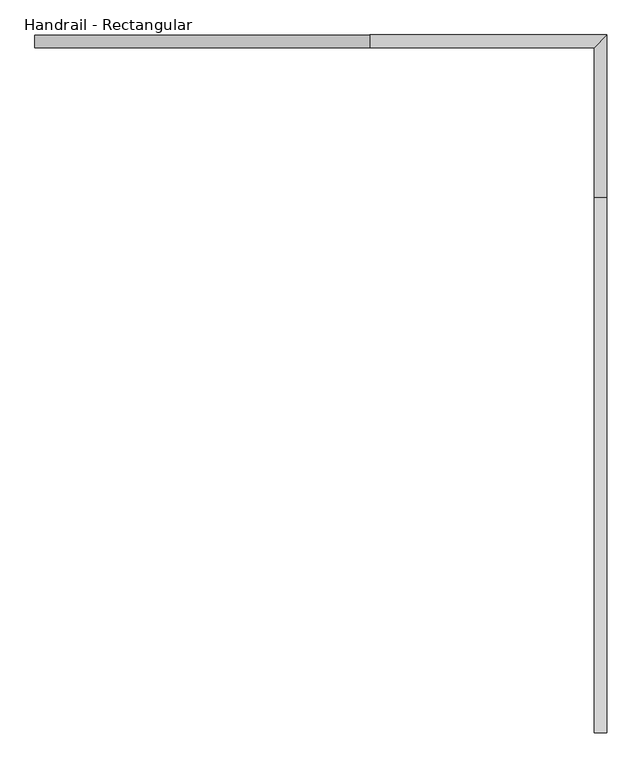
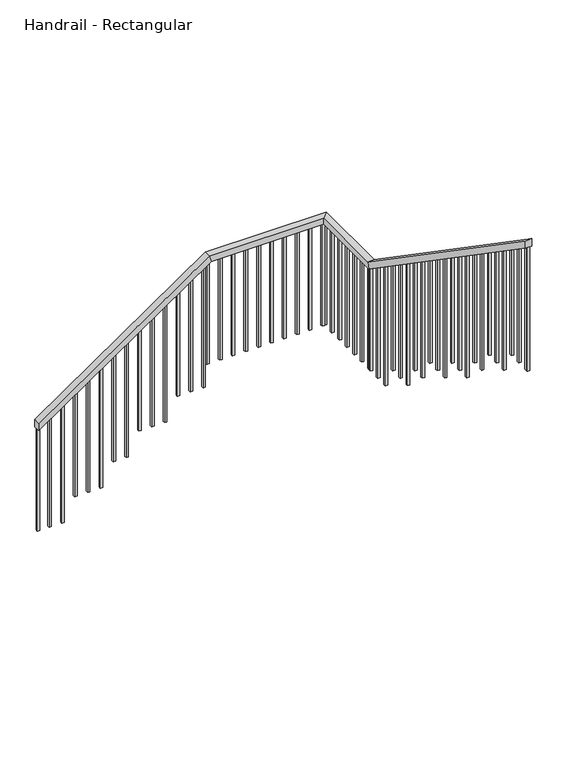
"""IFC4 building model written with IfcOpenShell, lengths in millimetres: railing geometry, Handrail - Rectangular."""

from ifc_helpers import new_model, si_unit, frame, origin, place, context, project, spatial, polyline, outline, extrude, faceted_brep, source, transform, mapped, element, save


def handrail_rectangular_aad5a0ed(model_context):
    return source(origin(), model_context, "Body", "SolidModel", [
        faceted_brep([(1316.6034014, 4462.6058469, -1349.8857143), (1316.6034014, 4462.6058469, -1411.5425818), (1316.6034014, 4411.8058469, -1411.5425818), (1316.6034014, 4411.8058469, -1349.8857143), (2666.6034014, 4462.6058469, -421.3142857), (2682.3876165, 4462.6058469, -472.1142857), (2682.3876165, 4411.8058469, -472.1142857), (2666.6034014, 4411.8058469, -421.3142857), (3623.7534014, 4462.6058469, -421.3142857), (3623.7534014, 4462.6058469, -472.1142857), (3572.9534014, 4411.8058469, -472.1142857), (3572.9534014, 4411.8058469, -421.3142857), (3623.7534014, 3807.2058469, -421.3142857), (3623.7534014, 3791.4216318, -472.1142857), (3572.9534014, 3791.4216318, -472.1142857), (3572.9534014, 3807.2058469, -421.3142857), (3623.7534014, 1647.2058469, 1064.4), (3572.9534014, 1647.2058469, 1064.4), (3572.9534014, 1647.2058469, 1002.7431325), (3623.7534014, 1647.2058469, 1002.7431325)], [[[0, 1, 2, 3]], [[1, 0, 4, 5]], [[2, 1, 5, 6]], [[3, 2, 6, 7]], [[0, 3, 7, 4]], [[5, 4, 8, 9]], [[6, 5, 9, 10]], [[7, 6, 10, 11]], [[4, 7, 11, 8]], [[9, 8, 12, 13]], [[10, 9, 13, 14]], [[11, 10, 14, 15]], [[8, 11, 15, 12]], [[16, 17, 18, 19]], [[13, 12, 16, 19]], [[14, 13, 19, 18]], [[15, 14, 18, 17]], [[12, 15, 17, 16]]]),
        extrude(outline(polyline([(1683.1308469, 978.032815), (1683.1308469, -35.7142857), (1664.0808469, -35.7142857), (1664.0808469, 991.1359896), (1683.1308469, 978.032815)])), frame((3588.8284014, 0.0, 0.0), z_axis=(1.0, 0.0, 0.0), x_axis=(0.0, 1.0, 0.0)), (0.0, 0.0, 1.0), 19.05),
        extrude(outline(polyline([(1784.7308469, 908.1492171), (1784.7308469, -35.7142857), (1765.6808469, -35.7142857), (1765.6808469, 921.2523917), (1784.7308469, 908.1492171)])), frame((3588.8284014, 0.0, 0.0), z_axis=(1.0, 0.0, 0.0), x_axis=(0.0, 1.0, 0.0)), (0.0, 0.0, 1.0), 19.05),
        extrude(outline(polyline([(1886.3308469, 838.2656192), (1886.3308469, -35.7142857), (1867.2808469, -35.7142857), (1867.2808469, 851.3687938), (1886.3308469, 838.2656192)])), frame((3588.8284014, 0.0, 0.0), z_axis=(1.0, 0.0, 0.0), x_axis=(0.0, 1.0, 0.0)), (0.0, 0.0, 1.0), 19.05),
        extrude(outline(polyline([(1987.9308469, 768.3820214), (1987.9308469, -221.4285714), (1968.8808469, -221.4285714), (1968.8808469, 781.485196), (1987.9308469, 768.3820214)])), frame((3588.8284014, 0.0, 0.0), z_axis=(1.0, 0.0, 0.0), x_axis=(0.0, 1.0, 0.0)), (0.0, 0.0, 1.0), 19.05),
        extrude(outline(polyline([(2089.5308469, 698.4984235), (2089.5308469, -221.4285714), (2070.4808469, -221.4285714), (2070.4808469, 711.6015981), (2089.5308469, 698.4984235)])), frame((3588.8284014, 0.0, 0.0), z_axis=(1.0, 0.0, 0.0), x_axis=(0.0, 1.0, 0.0)), (0.0, 0.0, 1.0), 19.05),
        extrude(outline(polyline([(2191.1308469, 628.6148256), (2191.1308469, -221.4285714), (2172.0808469, -221.4285714), (2172.0808469, 641.7180002), (2191.1308469, 628.6148256)])), frame((3588.8284014, 0.0, 0.0), z_axis=(1.0, 0.0, 0.0), x_axis=(0.0, 1.0, 0.0)), (0.0, 0.0, 1.0), 19.05),
        extrude(outline(polyline([(2292.7308469, 558.7312277), (2292.7308469, -407.1428571), (2273.6808469, -407.1428571), (2273.6808469, 571.8344023), (2292.7308469, 558.7312277)])), frame((3588.8284014, 0.0, 0.0), z_axis=(1.0, 0.0, 0.0), x_axis=(0.0, 1.0, 0.0)), (0.0, 0.0, 1.0), 19.05),
        extrude(outline(polyline([(2394.3308469, 488.8476298), (2394.3308469, -407.1428571), (2375.2808469, -407.1428571), (2375.2808469, 501.9508044), (2394.3308469, 488.8476298)])), frame((3588.8284014, 0.0, 0.0), z_axis=(1.0, 0.0, 0.0), x_axis=(0.0, 1.0, 0.0)), (0.0, 0.0, 1.0), 19.05),
        extrude(outline(polyline([(2495.9308469, 418.9640319), (2495.9308469, -592.8571429), (2476.8808469, -592.8571429), (2476.8808469, 432.0672065), (2495.9308469, 418.9640319)])), frame((3588.8284014, 0.0, 0.0), z_axis=(1.0, 0.0, 0.0), x_axis=(0.0, 1.0, 0.0)), (0.0, 0.0, 1.0), 19.05),
        extrude(outline(polyline([(2597.5308469, 349.0804341), (2597.5308469, -592.8571429), (2578.4808469, -592.8571429), (2578.4808469, 362.1836087), (2597.5308469, 349.0804341)])), frame((3588.8284014, 0.0, 0.0), z_axis=(1.0, 0.0, 0.0), x_axis=(0.0, 1.0, 0.0)), (0.0, 0.0, 1.0), 19.05),
        extrude(outline(polyline([(2699.1308469, 279.1968362), (2699.1308469, -592.8571429), (2680.0808469, -592.8571429), (2680.0808469, 292.3000108), (2699.1308469, 279.1968362)])), frame((3588.8284014, 0.0, 0.0), z_axis=(1.0, 0.0, 0.0), x_axis=(0.0, 1.0, 0.0)), (0.0, 0.0, 1.0), 19.05),
        extrude(outline(polyline([(2800.7308469, 209.3132383), (2800.7308469, -778.5714286), (2781.6808469, -778.5714286), (2781.6808469, 222.4164129), (2800.7308469, 209.3132383)])), frame((3588.8284014, 0.0, 0.0), z_axis=(1.0, 0.0, 0.0), x_axis=(0.0, 1.0, 0.0)), (0.0, 0.0, 1.0), 19.05),
        extrude(outline(polyline([(2902.3308469, 139.4296404), (2902.3308469, -778.5714286), (2883.2808469, -778.5714286), (2883.2808469, 152.532815), (2902.3308469, 139.4296404)])), frame((3588.8284014, 0.0, 0.0), z_axis=(1.0, 0.0, 0.0), x_axis=(0.0, 1.0, 0.0)), (0.0, 0.0, 1.0), 19.05),
        extrude(outline(polyline([(3003.9308469, 69.5460425), (3003.9308469, -778.5714286), (2984.8808469, -778.5714286), (2984.8808469, 82.6492171), (3003.9308469, 69.5460425)])), frame((3588.8284014, 0.0, 0.0), z_axis=(1.0, 0.0, 0.0), x_axis=(0.0, 1.0, 0.0)), (0.0, 0.0, 1.0), 19.05),
        extrude(outline(polyline([(3105.5308469, -0.3375554), (3105.5308469, -964.2857143), (3086.4808469, -964.2857143), (3086.4808469, 12.7656192), (3105.5308469, -0.3375554)])), frame((3588.8284014, 0.0, 0.0), z_axis=(1.0, 0.0, 0.0), x_axis=(0.0, 1.0, 0.0)), (0.0, 0.0, 1.0), 19.05),
        extrude(outline(polyline([(3207.1308469, -70.2211532), (3207.1308469, -964.2857143), (3188.0808469, -964.2857143), (3188.0808469, -57.1179786), (3207.1308469, -70.2211532)])), frame((3588.8284014, 0.0, 0.0), z_axis=(1.0, 0.0, 0.0), x_axis=(0.0, 1.0, 0.0)), (0.0, 0.0, 1.0), 19.05),
        extrude(outline(polyline([(3308.7308469, -140.1047511), (3308.7308469, -1150.0), (3289.6808469, -1150.0), (3289.6808469, -127.0015765), (3308.7308469, -140.1047511)])), frame((3588.8284014, 0.0, 0.0), z_axis=(1.0, 0.0, 0.0), x_axis=(0.0, 1.0, 0.0)), (0.0, 0.0, 1.0), 19.05),
        extrude(outline(polyline([(3410.3308469, -209.988349), (3410.3308469, -1150.0), (3391.2808469, -1150.0), (3391.2808469, -196.8851744), (3410.3308469, -209.988349)])), frame((3588.8284014, 0.0, 0.0), z_axis=(1.0, 0.0, 0.0), x_axis=(0.0, 1.0, 0.0)), (0.0, 0.0, 1.0), 19.05),
        extrude(outline(polyline([(3511.9308469, -279.8719469), (3511.9308469, -1150.0), (3492.8808469, -1150.0), (3492.8808469, -266.7687723), (3511.9308469, -279.8719469)])), frame((3588.8284014, 0.0, 0.0), z_axis=(1.0, 0.0, 0.0), x_axis=(0.0, 1.0, 0.0)), (0.0, 0.0, 1.0), 19.05),
        extrude(outline(polyline([(3613.5308469, -349.7555448), (3613.5308469, -1335.7142857), (3594.4808469, -1335.7142857), (3594.4808469, -336.6523702), (3613.5308469, -349.7555448)])), frame((3588.8284014, 0.0, 0.0), z_axis=(1.0, 0.0, 0.0), x_axis=(0.0, 1.0, 0.0)), (0.0, 0.0, 1.0), 19.05),
        extrude(outline(polyline([(3715.1308469, -419.6391427), (3715.1308469, -1335.7142857), (3696.0808469, -1335.7142857), (3696.0808469, -406.5359681), (3715.1308469, -419.6391427)])), frame((3588.8284014, 0.0, 0.0), z_axis=(1.0, 0.0, 0.0), x_axis=(0.0, 1.0, 0.0)), (0.0, 0.0, 1.0), 19.05),
        extrude(outline(polyline([(3607.8784014, 3837.1308469), (3607.8784014, 3818.0808469), (3588.8284014, 3818.0808469), (3588.8284014, 3837.1308469), (3607.8784014, 3837.1308469)])), frame((0.0, 0.0, -1335.7142857), z_axis=(0.0, 0.0, 1.0), x_axis=(1.0, 0.0, 0.0)), (0.0, 0.0, 1.0), 863.6),
        extrude(outline(polyline([(3607.8784014, 3938.7308469), (3607.8784014, 3919.6808469), (3588.8284014, 3919.6808469), (3588.8284014, 3938.7308469), (3607.8784014, 3938.7308469)])), frame((0.0, 0.0, -1335.7142857), z_axis=(0.0, 0.0, 1.0), x_axis=(1.0, 0.0, 0.0)), (0.0, 0.0, 1.0), 863.6),
        extrude(outline(polyline([(3607.8784014, 4040.3308469), (3607.8784014, 4021.2808469), (3588.8284014, 4021.2808469), (3588.8284014, 4040.3308469), (3607.8784014, 4040.3308469)])), frame((0.0, 0.0, -1335.7142857), z_axis=(0.0, 0.0, 1.0), x_axis=(1.0, 0.0, 0.0)), (0.0, 0.0, 1.0), 863.6),
        extrude(outline(polyline([(3607.8784014, 4141.9308469), (3607.8784014, 4122.8808469), (3588.8284014, 4122.8808469), (3588.8284014, 4141.9308469), (3607.8784014, 4141.9308469)])), frame((0.0, 0.0, -1335.7142857), z_axis=(0.0, 0.0, 1.0), x_axis=(1.0, 0.0, 0.0)), (0.0, 0.0, 1.0), 863.6),
        extrude(outline(polyline([(3607.8784014, 4243.5308469), (3607.8784014, 4224.4808469), (3588.8284014, 4224.4808469), (3588.8284014, 4243.5308469), (3607.8784014, 4243.5308469)])), frame((0.0, 0.0, -1335.7142857), z_axis=(0.0, 0.0, 1.0), x_axis=(1.0, 0.0, 0.0)), (0.0, 0.0, 1.0), 863.6),
        extrude(outline(polyline([(3607.8784014, 4345.1308469), (3607.8784014, 4326.0808469), (3588.8284014, 4326.0808469), (3588.8284014, 4345.1308469), (3607.8784014, 4345.1308469)])), frame((0.0, 0.0, -1335.7142857), z_axis=(0.0, 0.0, 1.0), x_axis=(1.0, 0.0, 0.0)), (0.0, 0.0, 1.0), 863.6),
        extrude(outline(polyline([(3571.4784014, 4446.7308469), (3590.5284014, 4446.7308469), (3590.5284014, 4427.6808469), (3571.4784014, 4427.6808469), (3571.4784014, 4446.7308469)])), frame((0.0, 0.0, -1335.7142857), z_axis=(0.0, 0.0, 1.0), x_axis=(1.0, 0.0, 0.0)), (0.0, 0.0, 1.0), 863.6),
        extrude(outline(polyline([(3469.8784014, 4446.7308469), (3488.9284014, 4446.7308469), (3488.9284014, 4427.6808469), (3469.8784014, 4427.6808469), (3469.8784014, 4446.7308469)])), frame((0.0, 0.0, -1335.7142857), z_axis=(0.0, 0.0, 1.0), x_axis=(1.0, 0.0, 0.0)), (0.0, 0.0, 1.0), 863.6),
        extrude(outline(polyline([(3368.2784014, 4446.7308469), (3387.3284014, 4446.7308469), (3387.3284014, 4427.6808469), (3368.2784014, 4427.6808469), (3368.2784014, 4446.7308469)])), frame((0.0, 0.0, -1335.7142857), z_axis=(0.0, 0.0, 1.0), x_axis=(1.0, 0.0, 0.0)), (0.0, 0.0, 1.0), 863.6),
        extrude(outline(polyline([(3266.6784014, 4446.7308469), (3285.7284014, 4446.7308469), (3285.7284014, 4427.6808469), (3266.6784014, 4427.6808469), (3266.6784014, 4446.7308469)])), frame((0.0, 0.0, -1335.7142857), z_axis=(0.0, 0.0, 1.0), x_axis=(1.0, 0.0, 0.0)), (0.0, 0.0, 1.0), 863.6),
        extrude(outline(polyline([(3165.0784014, 4446.7308469), (3184.1284014, 4446.7308469), (3184.1284014, 4427.6808469), (3165.0784014, 4427.6808469), (3165.0784014, 4446.7308469)])), frame((0.0, 0.0, -1335.7142857), z_axis=(0.0, 0.0, 1.0), x_axis=(1.0, 0.0, 0.0)), (0.0, 0.0, 1.0), 863.6),
        extrude(outline(polyline([(3063.4784014, 4446.7308469), (3082.5284014, 4446.7308469), (3082.5284014, 4427.6808469), (3063.4784014, 4427.6808469), (3063.4784014, 4446.7308469)])), frame((0.0, 0.0, -1335.7142857), z_axis=(0.0, 0.0, 1.0), x_axis=(1.0, 0.0, 0.0)), (0.0, 0.0, 1.0), 863.6),
        extrude(outline(polyline([(2961.8784014, 4446.7308469), (2980.9284014, 4446.7308469), (2980.9284014, 4427.6808469), (2961.8784014, 4427.6808469), (2961.8784014, 4446.7308469)])), frame((0.0, 0.0, -1335.7142857), z_axis=(0.0, 0.0, 1.0), x_axis=(1.0, 0.0, 0.0)), (0.0, 0.0, 1.0), 863.6),
        extrude(outline(polyline([(2860.2784014, 4446.7308469), (2879.3284014, 4446.7308469), (2879.3284014, 4427.6808469), (2860.2784014, 4427.6808469), (2860.2784014, 4446.7308469)])), frame((0.0, 0.0, -1335.7142857), z_axis=(0.0, 0.0, 1.0), x_axis=(1.0, 0.0, 0.0)), (0.0, 0.0, 1.0), 863.6),
        extrude(outline(polyline([(2758.6784014, 4446.7308469), (2777.7284014, 4446.7308469), (2777.7284014, 4427.6808469), (2758.6784014, 4427.6808469), (2758.6784014, 4446.7308469)])), frame((0.0, 0.0, -1335.7142857), z_axis=(0.0, 0.0, 1.0), x_axis=(1.0, 0.0, 0.0)), (0.0, 0.0, 1.0), 863.6),
        extrude(outline(polyline([(-509.6073966, 2627.8784014), (-1521.4285714, 2627.8784014), (-1521.4285714, 2646.9284014), (-496.504222, 2646.9284014), (-509.6073966, 2627.8784014)])), frame((0.0, 4427.6808469, 0.0), z_axis=(0.0, 1.0, 0.0), x_axis=(0.0, 0.0, 1.0)), (0.0, 0.0, 1.0), 19.05),
        extrude(outline(polyline([(-579.4909945, 2526.2784014), (-1521.4285714, 2526.2784014), (-1521.4285714, 2545.3284014), (-566.3878199, 2545.3284014), (-579.4909945, 2526.2784014)])), frame((0.0, 4427.6808469, 0.0), z_axis=(0.0, 1.0, 0.0), x_axis=(0.0, 0.0, 1.0)), (0.0, 0.0, 1.0), 19.05),
        extrude(outline(polyline([(-649.3745924, 2424.6784014), (-1521.4285714, 2424.6784014), (-1521.4285714, 2443.7284014), (-636.2714178, 2443.7284014), (-649.3745924, 2424.6784014)])), frame((0.0, 4427.6808469, 0.0), z_axis=(0.0, 1.0, 0.0), x_axis=(0.0, 0.0, 1.0)), (0.0, 0.0, 1.0), 19.05),
        extrude(outline(polyline([(-719.2581903, 2323.0784014), (-1707.1428571, 2323.0784014), (-1707.1428571, 2342.1284014), (-706.1550157, 2342.1284014), (-719.2581903, 2323.0784014)])), frame((0.0, 4427.6808469, 0.0), z_axis=(0.0, 1.0, 0.0), x_axis=(0.0, 0.0, 1.0)), (0.0, 0.0, 1.0), 19.05),
        extrude(outline(polyline([(-789.1417882, 2221.4784014), (-1707.1428571, 2221.4784014), (-1707.1428571, 2240.5284014), (-776.0386136, 2240.5284014), (-789.1417882, 2221.4784014)])), frame((0.0, 4427.6808469, 0.0), z_axis=(0.0, 1.0, 0.0), x_axis=(0.0, 0.0, 1.0)), (0.0, 0.0, 1.0), 19.05),
        extrude(outline(polyline([(-859.025386, 2119.8784014), (-1707.1428571, 2119.8784014), (-1707.1428571, 2138.9284014), (-845.9222114, 2138.9284014), (-859.025386, 2119.8784014)])), frame((0.0, 4427.6808469, 0.0), z_axis=(0.0, 1.0, 0.0), x_axis=(0.0, 0.0, 1.0)), (0.0, 0.0, 1.0), 19.05),
        extrude(outline(polyline([(-928.9089839, 2018.2784014), (-1892.8571429, 2018.2784014), (-1892.8571429, 2037.3284014), (-915.8058093, 2037.3284014), (-928.9089839, 2018.2784014)])), frame((0.0, 4427.6808469, 0.0), z_axis=(0.0, 1.0, 0.0), x_axis=(0.0, 0.0, 1.0)), (0.0, 0.0, 1.0), 19.05),
        extrude(outline(polyline([(-998.7925818, 1916.6784014), (-1892.8571429, 1916.6784014), (-1892.8571429, 1935.7284014), (-985.6894072, 1935.7284014), (-998.7925818, 1916.6784014)])), frame((0.0, 4427.6808469, 0.0), z_axis=(0.0, 1.0, 0.0), x_axis=(0.0, 0.0, 1.0)), (0.0, 0.0, 1.0), 19.05),
        extrude(outline(polyline([(-1068.6761797, 1815.0784014), (-2078.5714286, 1815.0784014), (-2078.5714286, 1834.1284014), (-1055.5730051, 1834.1284014), (-1068.6761797, 1815.0784014)])), frame((0.0, 4427.6808469, 0.0), z_axis=(0.0, 1.0, 0.0), x_axis=(0.0, 0.0, 1.0)), (0.0, 0.0, 1.0), 19.05),
        extrude(outline(polyline([(-1138.5597776, 1713.4784014), (-2078.5714286, 1713.4784014), (-2078.5714286, 1732.5284014), (-1125.456603, 1732.5284014), (-1138.5597776, 1713.4784014)])), frame((0.0, 4427.6808469, 0.0), z_axis=(0.0, 1.0, 0.0), x_axis=(0.0, 0.0, 1.0)), (0.0, 0.0, 1.0), 19.05),
        extrude(outline(polyline([(-1208.4433755, 1611.8784014), (-2078.5714286, 1611.8784014), (-2078.5714286, 1630.9284014), (-1195.3402009, 1630.9284014), (-1208.4433755, 1611.8784014)])), frame((0.0, 4427.6808469, 0.0), z_axis=(0.0, 1.0, 0.0), x_axis=(0.0, 0.0, 1.0)), (0.0, 0.0, 1.0), 19.05),
        extrude(outline(polyline([(-1278.3269733, 1510.2784014), (-2264.2857143, 1510.2784014), (-2264.2857143, 1529.3284014), (-1265.2237987, 1529.3284014), (-1278.3269733, 1510.2784014)])), frame((0.0, 4427.6808469, 0.0), z_axis=(0.0, 1.0, 0.0), x_axis=(0.0, 0.0, 1.0)), (0.0, 0.0, 1.0), 19.05),
        extrude(outline(polyline([(-1348.2105712, 1408.6784014), (-2264.2857143, 1408.6784014), (-2264.2857143, 1427.7284014), (-1335.1073966, 1427.7284014), (-1348.2105712, 1408.6784014)])), frame((0.0, 4427.6808469, 0.0), z_axis=(0.0, 1.0, 0.0), x_axis=(0.0, 0.0, 1.0)), (0.0, 0.0, 1.0), 19.05),
        extrude(outline(polyline([(3607.8784014, 3816.7308469), (3607.8784014, 3797.6808469), (3588.8284014, 3797.6808469), (3588.8284014, 3816.7308469), (3607.8784014, 3816.7308469)])), frame((0.0, 0.0, -1335.7142857), z_axis=(0.0, 0.0, 1.0), x_axis=(1.0, 0.0, 0.0)), (0.0, 0.0, 1.0), 863.6),
        extrude(outline(polyline([(3588.8284014, 4446.7308469), (3607.8784014, 4446.7308469), (3607.8784014, 4427.6808469), (3588.8284014, 4427.6808469), (3588.8284014, 4446.7308469)])), frame((0.0, 0.0, -1335.7142857), z_axis=(0.0, 0.0, 1.0), x_axis=(1.0, 0.0, 0.0)), (0.0, 0.0, 1.0), 863.6),
        extrude(outline(polyline([(-489.5227405, 2657.0784014), (-1335.7142857, 2657.0784014), (-1335.7142857, 2676.1284014), (-476.4195659, 2676.1284014), (-489.5227405, 2657.0784014)])), frame((0.0, 4427.6808469, 0.0), z_axis=(0.0, 1.0, 0.0), x_axis=(0.0, 0.0, 1.0)), (0.0, 0.0, 1.0), 19.05),
        extrude(outline(polyline([(1666.2558469, 989.6399579), (1666.2558469, -35.7142857), (1647.2058469, -35.7142857), (1647.2058469, 1002.7431325), (1666.2558469, 989.6399579)])), frame((3588.8284014, 0.0, 0.0), z_axis=(1.0, 0.0, 0.0), x_axis=(0.0, 1.0, 0.0)), (0.0, 0.0, 1.0), 19.05),
        extrude(outline(polyline([(-1411.5425818, 1316.6034014), (-2264.2857143, 1316.6034014), (-2264.2857143, 1335.6534014), (-1398.4394072, 1335.6534014), (-1411.5425818, 1316.6034014)])), frame((0.0, 4427.6808469, 0.0), z_axis=(0.0, 1.0, 0.0), x_axis=(0.0, 0.0, 1.0)), (0.0, 0.0, 1.0), 19.05),
    ])


if __name__ == "__main__":
    model = new_model("IFC4")
    model_context = context("Model", 3, world=origin())
    ifc_project = project(units=[si_unit("LENGTHUNIT", "METRE", prefix="MILLI")], contexts=[model_context])
    site = spatial("IfcSite", under=ifc_project)
    building = spatial("IfcBuilding", under=site)
    placement = place(None, origin())
    handrail_rectangular_shape = handrail_rectangular_aad5a0ed(model_context)
    element("IfcRailing", 1, ObjectType="Handrail - Rectangular", at=placement, inside=building, context=model_context, shape_type="MappedRepresentation", body=[
        mapped(handrail_rectangular_shape, transform((0.0, 0.0, 0.0), x_axis=(1.0, 0.0, 0.0), y_axis=(0.0, 1.0, 0.0), z_axis=(0.0, 0.0, 1.0))),
    ])
    save(model, "model.ifc")
